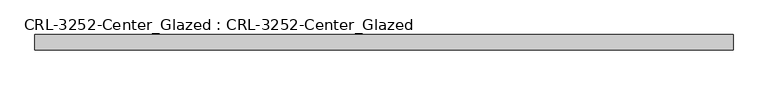
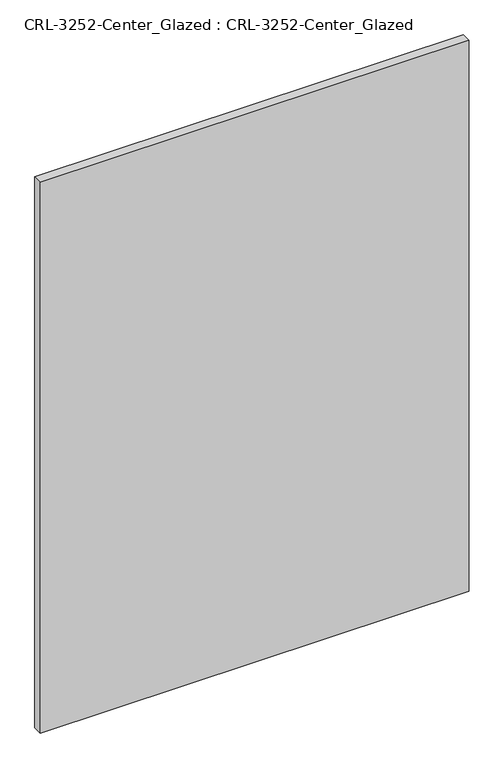
"""IFC4 building model written with IfcOpenShell, lengths in millimetres: plate geometry, CRL-3252-Center_Glazed : CRL-3252-Center_Glazed."""

from ifc_helpers import new_model, si_unit, origin, origin_with_axes, place, context, project, spatial, polyline, outline, extrude, source, transform, mapped, element, save


def crl_3252_center_glazed_crl_3252_center_glazed_848589e5(model_context):
    return source(origin(), model_context, "Body", "SweptSolid", [
        extrude(outline(polyline([(574.4108426, 12.7), (574.4108426, -12.7), (-574.4108426, -12.7), (-574.4108426, 12.7), (574.4108426, 12.7)])), origin_with_axes(), (0.0, 0.0, 1.0), 1559.5661691),
    ])


if __name__ == "__main__":
    model = new_model("IFC4")
    model_context = context("Model", 3, world=origin())
    ifc_project = project(units=[si_unit("LENGTHUNIT", "METRE", prefix="MILLI")], contexts=[model_context])
    site = spatial("IfcSite", under=ifc_project)
    building = spatial("IfcBuilding", under=site)
    placement = place(None, origin())
    crl_3252_center_glazed_crl_3252_center_glazed_shape = crl_3252_center_glazed_crl_3252_center_glazed_848589e5(model_context)
    element("IfcPlate", 1, ObjectType="CRL-3252-Center_Glazed : CRL-3252-Center_Glazed", at=placement, inside=building, context=model_context, shape_type="MappedRepresentation", body=[
        mapped(crl_3252_center_glazed_crl_3252_center_glazed_shape, transform((0.0, 0.0, 0.0), x_axis=(1.0, 0.0, 0.0), y_axis=(0.0, 1.0, 0.0), z_axis=(0.0, 0.0, 1.0))),
    ])
    save(model, "model.ifc")
